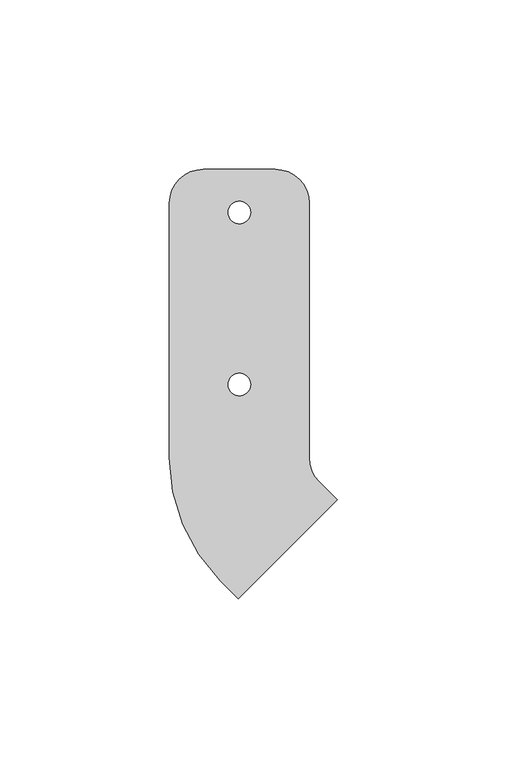
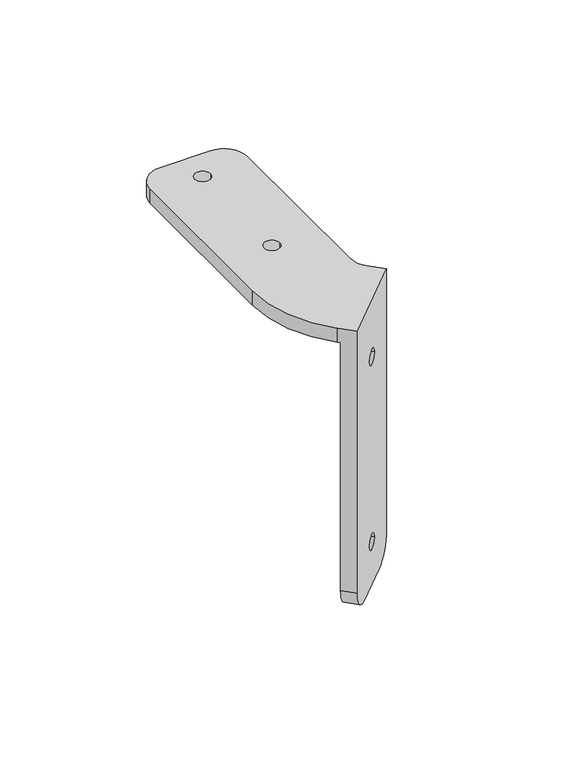
"""IFC4 building model written with IfcOpenShell, lengths in millimetres: proxy geometry."""

from ifc_helpers import new_model, si_unit, frame, origin, place, context, project, spatial, polyline, circle_curve, source, transform, mapped, element, save
from ifc_brep_helpers import plane_surface, cylinder_surface, revolved_surface, advanced_brep


def generic_models_2cfd81d2(model_context):
    return source(origin(), model_context, "Body", "AdvancedBrep", [
        advanced_brep(
        [(24.3784807, -7.8831163, -110.65), (17.3074129, -14.9541841, -120.65), (2.2637161, -29.9978809, -120.65), (-4.8073517, -37.0689487, -110.65), (-4.8073517, -37.0689487, 0.0), (24.3784807, -7.8831163, 0.0), (12.1204311, -20.1411659, -19.05), (7.4506979, -24.8108991, -19.05), (12.1204311, -20.1411659, -101.6), (7.4506979, -24.8108991, -101.6), (28.8686088, -12.3732444, 6.35), (-0.3172236, -41.5590768, 6.35), (-0.3172236, -41.5590768, -110.65), (6.7538442, -34.488009, -120.65), (21.7975409, -19.4443122, -120.65), (28.8686088, -12.3732444, -110.65), (16.6105592, -24.631294, -19.05), (11.940826, -29.3010272, -19.05), (16.6105592, -24.631294, -101.6), (11.940826, -29.3010272, -101.6), (-5.6194002, -36.2569002, 6.35), (-5.6194002, -36.2569002, 0.0), (23.5664322, -7.0710678, 0.0), (23.5664322, -7.0710678, 6.35), (20.6375, 0.0, 6.35), (20.6375, 75.09, 6.35), (10.6375, 85.09, 6.35), (-10.6375, 85.09, 6.35), (-20.6375, 75.09, 6.35), (-20.6375, 0.0, 6.35), (3.302, 72.39, 6.35), (-3.302, 72.39, 6.35), (3.302, 21.59, 6.35), (-3.302, 21.59, 6.35), (20.6375, 0.0, 0.0), (-20.6375, 0.0, 0.0), (-20.6375, 75.09, 0.0), (-10.6375, 85.09, 0.0), (10.6375, 85.09, 0.0), (20.6375, 75.09, 0.0), (3.302, 72.39, 0.0), (-3.302, 72.39, 0.0), (3.302, 21.59, 0.0), (-3.302, 21.59, 0.0)],
        [
            (0, 1, circle_curve(frame((17.3074129, -14.9541841, -110.65), z_axis=(-0.7071067811865441, 0.7071067811865509, 0.0), x_axis=(-0.7071067811865509, -0.7071067811865441, 0.0)), 10.0)),
            (1, 2),
            (2, 3, circle_curve(frame((2.2637161, -29.9978809, -110.65), z_axis=(-0.7071067811865441, 0.7071067811865509, 0.0), x_axis=(-0.7071067811865509, -0.7071067811865441, 0.0)), 10.0)),
            (3, 4),
            (4, 5),
            (5, 0),
            (6, 7, circle_curve(frame((9.7855645, -22.4760325, -19.05), z_axis=(0.707106781186544, -0.707106781186551, 0.0), x_axis=(-0.707106781186551, -0.707106781186544, 0.0)), 3.302)),
            (7, 6, circle_curve(frame((9.7855645, -22.4760325, -19.05), z_axis=(0.707106781186544, -0.707106781186551, 0.0), x_axis=(-0.707106781186551, -0.707106781186544, 0.0)), 3.302)),
            (8, 9, circle_curve(frame((9.7855645, -22.4760325, -101.6), z_axis=(0.707106781186544, -0.707106781186551, 0.0), x_axis=(-0.707106781186551, -0.707106781186544, 0.0)), 3.302)),
            (9, 8, circle_curve(frame((9.7855645, -22.4760325, -101.6), z_axis=(0.707106781186544, -0.707106781186551, 0.0), x_axis=(-0.707106781186551, -0.707106781186544, 0.0)), 3.302)),
            (10, 11),
            (11, 12),
            (12, 13, circle_curve(frame((6.7538442, -34.488009, -110.65), z_axis=(0.7071067811865441, -0.7071067811865509, 0.0), x_axis=(-0.7071067811865509, -0.7071067811865441, 0.0)), 10.0)),
            (13, 14),
            (14, 15, circle_curve(frame((21.7975409, -19.4443122, -110.65), z_axis=(0.7071067811865441, -0.7071067811865509, 0.0), x_axis=(-0.7071067811865509, -0.7071067811865441, 0.0)), 10.0)),
            (15, 10),
            (16, 17, circle_curve(frame((14.2756926, -26.9661606, -19.05), z_axis=(-0.707106781186544, 0.707106781186551, 0.0), x_axis=(-0.707106781186551, -0.707106781186544, 0.0)), 3.302)),
            (17, 16, circle_curve(frame((14.2756926, -26.9661606, -19.05), z_axis=(-0.707106781186544, 0.707106781186551, 0.0), x_axis=(-0.707106781186551, -0.707106781186544, 0.0)), 3.302)),
            (18, 19, circle_curve(frame((14.2756926, -26.9661606, -101.6), z_axis=(-0.707106781186544, 0.707106781186551, 0.0), x_axis=(-0.707106781186551, -0.707106781186544, 0.0)), 3.302)),
            (19, 18, circle_curve(frame((14.2756926, -26.9661606, -101.6), z_axis=(-0.707106781186544, 0.707106781186551, 0.0), x_axis=(-0.707106781186551, -0.707106781186544, 0.0)), 3.302)),
            (0, 15),
            (14, 1),
            (13, 2),
            (12, 3),
            (11, 20),
            (20, 21),
            (21, 4),
            (5, 22),
            (22, 23),
            (23, 10),
            (6, 16),
            (17, 7),
            (8, 18),
            (19, 9),
            (24, 25),
            (25, 26, circle_curve(frame((10.6375, 75.09, 6.35), z_axis=(0.0, 0.0, 1.0), x_axis=(0.707106781186551, 0.707106781186544, 0.0)), 10.0)),
            (26, 27),
            (27, 28, circle_curve(frame((-10.6375, 75.09, 6.35), z_axis=(0.0, 0.0, 1.0), x_axis=(0.707106781186551, 0.707106781186544, 0.0)), 10.0)),
            (28, 29),
            (29, 20, circle_curve(frame((30.6375, 0.0, 6.35), z_axis=(0.0, 0.0, 1.0), x_axis=(0.707106781186551, 0.707106781186544, 0.0)), 51.275)),
            (23, 24, circle_curve(frame((30.6375, 0.0, 6.35), z_axis=(0.0, 0.0, -1.0), x_axis=(0.707106781186551, 0.707106781186544, 0.0)), 10.0)),
            (30, 31, circle_curve(frame((0.0, 72.39, 6.35), z_axis=(0.0, 0.0, -1.0), x_axis=(-1.0, 0.0, 0.0)), 3.302)),
            (31, 30, circle_curve(frame((0.0, 72.39, 6.35), z_axis=(0.0, 0.0, -1.0), x_axis=(-1.0, 0.0, 0.0)), 3.302)),
            (32, 33, circle_curve(frame((0.0, 21.59, 6.35), z_axis=(0.0, 0.0, -1.0), x_axis=(-1.0, 0.0, 0.0)), 3.302)),
            (33, 32, circle_curve(frame((0.0, 21.59, 6.35), z_axis=(0.0, 0.0, -1.0), x_axis=(-1.0, 0.0, 0.0)), 3.302)),
            (34, 22, circle_curve(frame((30.6375, 0.0, 0.0), z_axis=(0.0, 0.0, 1.0), x_axis=(0.707106781186551, 0.707106781186544, 0.0)), 10.0)),
            (21, 35, circle_curve(frame((30.6375, 0.0, 0.0), z_axis=(0.0, 0.0, -1.0), x_axis=(0.707106781186551, 0.707106781186544, 0.0)), 51.275)),
            (35, 36),
            (36, 37, circle_curve(frame((-10.6375, 75.09, 0.0), z_axis=(0.0, 0.0, -1.0), x_axis=(0.707106781186551, 0.707106781186544, 0.0)), 10.0)),
            (37, 38),
            (38, 39, circle_curve(frame((10.6375, 75.09, 0.0), z_axis=(0.0, 0.0, -1.0), x_axis=(0.707106781186551, 0.707106781186544, 0.0)), 10.0)),
            (39, 34),
            (40, 41, circle_curve(frame((0.0, 72.39, 0.0), z_axis=(0.0, 0.0, 1.0), x_axis=(-1.0, 0.0, 0.0)), 3.302)),
            (41, 40, circle_curve(frame((0.0, 72.39, 0.0), z_axis=(0.0, 0.0, 1.0), x_axis=(-1.0, 0.0, 0.0)), 3.302)),
            (42, 43, circle_curve(frame((0.0, 21.59, 0.0), z_axis=(0.0, 0.0, 1.0), x_axis=(-1.0, 0.0, 0.0)), 3.302)),
            (43, 42, circle_curve(frame((0.0, 21.59, 0.0), z_axis=(0.0, 0.0, 1.0), x_axis=(-1.0, 0.0, 0.0)), 3.302)),
            (34, 24),
            (29, 35),
            (28, 36),
            (27, 37),
            (26, 38),
            (25, 39),
            (31, 41),
            (40, 30),
            (33, 43),
            (42, 32),
        ],
        [
            plane_surface(frame((24.3784807, -7.8831163, -0.5), z_axis=(-0.707106781186544, 0.707106781186551, 0.0), x_axis=(0.0, 0.0, -1.0))),
            plane_surface(frame((28.8686088, -12.3732444, -0.5), z_axis=(0.707106781186544, -0.707106781186551, 0.0), x_axis=(0.0, 0.0, 1.0))),
            cylinder_surface(frame((17.3074129, -14.9541841, -110.65), z_axis=(0.7071067811865441, -0.7071067811865509, 0.0), x_axis=(-0.7071067811865509, -0.7071067811865441, 0.0)), 10.0),
            plane_surface(frame((6.7538442, -34.488009, -120.65), z_axis=(0.0, 0.0, -1.0), x_axis=(-0.7071067811865442, 0.7071067811865509, 0.0))),
            cylinder_surface(frame((2.2637161, -29.9978809, -110.65), z_axis=(0.7071067811865441, -0.7071067811865509, 0.0), x_axis=(-0.7071067811865509, -0.7071067811865441, 0.0)), 10.0),
            plane_surface(frame((-0.3172236, -41.5590768, 0.0), z_axis=(-0.7071067811865519, -0.7071067811865432, 0.0), x_axis=(-0.7071067811865432, 0.7071067811865519, 0.0))),
            plane_surface(frame((28.8686088, -12.3732444, -110.65), z_axis=(0.7071067811865509, 0.7071067811865442, 0.0), x_axis=(-0.7071067811865442, 0.7071067811865509, 0.0))),
            revolved_surface(polyline([(7.450697908522019, -24.810899091477935, -19.05), (11.94082600852202, -29.30102719147798, -19.05)]), (14.2756926, -26.9661606, -19.05), (-0.707106781186544, 0.707106781186551, 0.0)),
            revolved_surface(polyline([(7.450697908522019, -24.810899091477935, -101.6), (11.94082600852202, -29.30102719147798, -101.6)]), (14.2756926, -26.9661606, -101.6), (-0.707106781186544, 0.707106781186551, 0.0)),
            plane_surface(frame((20.6375, 75.09, 6.35), z_axis=(0.0, 0.0, 1.0), x_axis=(0.0, 1.0, 0.0))),
            plane_surface(frame((20.6375, 75.09, 0.0), z_axis=(0.0, 0.0, -1.0), x_axis=(0.0, -1.0, 0.0))),
            revolved_surface(polyline([(37.70856781186551, 7.07106781186544, 0.0), (37.70856781186551, 7.07106781186544, 6.35)]), (30.6375, 0.0, 0.0), (0.0, 0.0, -1.0)),
            cylinder_surface(frame((30.6375, 0.0, 0.0), z_axis=(0.0, 0.0, 1.0), x_axis=(0.707106781186551, 0.707106781186544, 0.0)), 51.275),
            plane_surface(frame((-20.6375, 75.09, 6.35), z_axis=(-1.0, 0.0, 0.0), x_axis=(0.0, 0.0, -1.0))),
            cylinder_surface(frame((-10.6375, 75.09, 0.0), z_axis=(0.0, 0.0, 1.0), x_axis=(0.707106781186551, 0.707106781186544, 0.0)), 10.0),
            plane_surface(frame((10.6375, 85.09, 6.35), z_axis=(0.0, 1.0, 0.0), x_axis=(0.0, 0.0, -1.0))),
            cylinder_surface(frame((10.6375, 75.09, 0.0), z_axis=(0.0, 0.0, 1.0), x_axis=(0.707106781186551, 0.707106781186544, 0.0)), 10.0),
            plane_surface(frame((20.6375, 0.0, 6.35), z_axis=(1.0, 0.0, 0.0), x_axis=(0.0, 0.0, -1.0))),
            revolved_surface(polyline([(-3.302, 72.39, 0.0), (-3.302, 72.39, 6.35)]), (0.0, 72.39, 0.0), (0.0, 0.0, -1.0)),
            revolved_surface(polyline([(-3.302, 21.59, 0.0), (-3.302, 21.59, 6.35)]), (0.0, 21.59, 0.0), (0.0, 0.0, -1.0)),
        ],
        [
            (0, [[1, 2, 3, 4, 5, 6], [7, 8], [9, 10]]),
            (1, [[11, 12, 13, 14, 15, 16], [17, 18], [19, 20]]),
            (2, [[-1, 21, -15, 22]]),
            (3, [[-2, -22, -14, 23]]),
            (4, [[-3, -23, -13, 24]]),
            (5, [[-4, -24, -12, 25, 26, 27]]),
            (6, [[-6, 28, 29, 30, -16, -21]]),
            (7, [[-7, 31, -18, 32]]),
            (7, [[-8, -32, -17, -31]]),
            (8, [[-9, 33, -20, 34]]),
            (8, [[-10, -34, -19, -33]]),
            (9, [[35, 36, 37, 38, 39, 40, -25, -11, -30, 41], [42, 43], [44, 45]]),
            (10, [[46, -28, -5, -27, 47, 48, 49, 50, 51, 52], [53, 54], [55, 56]]),
            (11, [[-41, -29, -46, 57]]),
            (12, [[-40, 58, -47, -26]]),
            (13, [[-39, 59, -48, -58]]),
            (14, [[-38, 60, -49, -59]]),
            (15, [[-37, 61, -50, -60]]),
            (16, [[-36, 62, -51, -61]]),
            (17, [[-35, -57, -52, -62]]),
            (18, [[-43, 63, -53, 64]]),
            (18, [[-42, -64, -54, -63]]),
            (19, [[-45, 65, -55, 66]]),
            (19, [[-44, -66, -56, -65]]),
        ],
    ),
    ])


if __name__ == "__main__":
    model = new_model("IFC4")
    model_context = context("Model", 3, world=origin())
    ifc_project = project(units=[si_unit("LENGTHUNIT", "METRE", prefix="MILLI")], contexts=[model_context])
    site = spatial("IfcSite", under=ifc_project)
    building = spatial("IfcBuilding", under=site)
    placement = place(None, origin())
    generic_models_shape = generic_models_2cfd81d2(model_context)
    element("IfcBuildingElementProxy", 1, Name="Generic Models", at=placement, inside=building, context=model_context, shape_type="MappedRepresentation", body=[
        mapped(generic_models_shape, transform((0.0, 0.0, 0.0), x_axis=(1.0, 0.0, 0.0), y_axis=(0.0, 1.0, 0.0), z_axis=(0.0, 0.0, 1.0))),
    ])
    save(model, "model.ifc")
